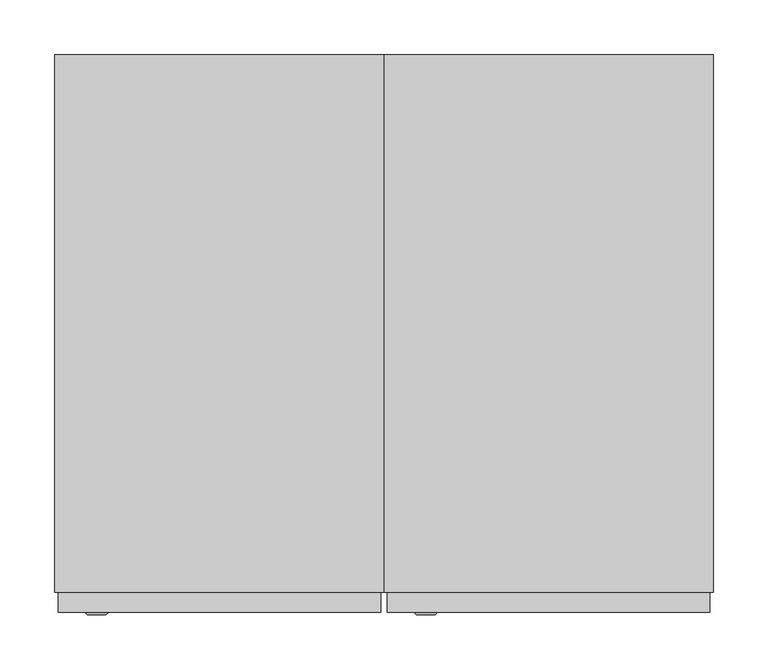
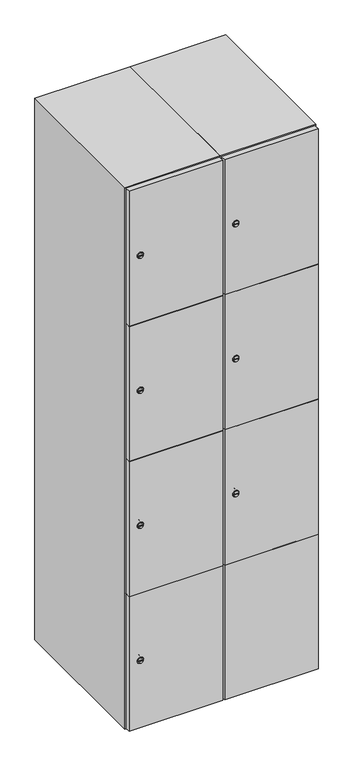
"""IFC4 building model written with IfcOpenShell, lengths in millimetres: furniture geometry."""

from ifc_helpers import new_model, si_unit, point, frame, frame_2d, origin, place, context, project, spatial, polyline, circle_curve, trimmed, segment, composite_curve, outline, extrude, faceted_brep, source, transform, mapped, element, save
from ifc_brep_helpers import plane_surface, revolved_surface, advanced_brep


def furniture_ce73e706(model_context):
    return source(origin(), model_context, "Body", "SolidModel", [
        extrude(outline(composite_curve([segment(trimmed(circle_curve(frame_2d((710.75, 111.2010534)), 7.0), [point((717.75, 111.2010534))], [point((703.75, 111.2010534))], False, "CARTESIAN"), True, "CONTINUOUS"), segment(polyline([(703.75, 111.2010534), (703.75, 139.2010534)]), True, "CONTINUOUS"), segment(trimmed(circle_curve(frame_2d((710.75, 139.2010534)), 7.0), [point((703.75, 139.2010534))], [point((717.75, 139.2010534))], False, "CARTESIAN"), True, "CONTINUOUS"), segment(polyline([(717.75, 139.2010534), (717.75, 111.2010534)]), True, "CONTINUOUS")], self_intersect=False)), frame((0.0, -245.0, 0.0), z_axis=(0.0, 1.0, 0.0), x_axis=(0.0, 0.0, 1.0)), (0.0, 0.0, 1.0), 2.0),
        advanced_brep(
        [(146.5, -265.2, 710.75), (129.5, -265.2, 710.75), (133.0, -265.2, 709.5), (133.0, -265.2, 712.0), (143.0, -265.2, 712.0), (143.0, -265.2, 709.5), (148.5, -263.0, 710.75), (127.5, -263.0, 710.75), (133.0, -263.0, 712.0), (133.0, -263.0, 709.5), (143.0, -263.0, 709.5), (143.0, -263.0, 712.0)],
        [
            (0, 1, circle_curve(frame((138.0, -265.2, 710.75), z_axis=(0.0, -1.0, 0.0), x_axis=(1.0, 0.0, 0.0)), 8.5)),
            (1, 0, circle_curve(frame((138.0, -265.2, 710.75), z_axis=(0.0, -1.0, 0.0), x_axis=(-1.0, 0.0, 0.0)), 8.5)),
            (2, 3),
            (3, 4),
            (4, 5),
            (5, 2),
            (6, 7, circle_curve(frame((138.0, -263.0, 710.75), z_axis=(0.0, 1.0, 0.0), x_axis=(-1.0, 0.0, 0.0)), 10.5)),
            (7, 6, circle_curve(frame((138.0, -263.0, 710.75), z_axis=(0.0, 1.0, 0.0), x_axis=(1.0, 0.0, 0.0)), 10.5)),
            (8, 9),
            (9, 10),
            (10, 11),
            (11, 8),
            (0, 6),
            (7, 1),
            (8, 3),
            (2, 9),
            (11, 4),
            (10, 5),
        ],
        [
            plane_surface(frame((138.0, -265.2, 710.75), z_axis=(0.0, -1.0, 0.0), x_axis=(0.0, 0.0, 1.0))),
            plane_surface(frame((138.0, -263.0, 710.75), z_axis=(0.0, 1.0, 0.0), x_axis=(0.0, 0.0, 1.0))),
            revolved_surface(polyline([(146.5, -265.2, 710.75), (148.5, -263.0, 710.75)]), (138.0, -274.55, 710.75), (0.0, 1.0, 0.0)),
            revolved_surface(polyline([(129.5, -265.2, 710.75), (127.5, -263.0, 710.75)]), (138.0, -274.55, 710.75), (0.0, 1.0, 0.0)),
            plane_surface(frame((133.0, -263.0, 709.5), z_axis=(1.0, 0.0, 0.0), x_axis=(0.0, -1.0, 0.0))),
            plane_surface(frame((133.0, -263.0, 712.0), z_axis=(0.0, 0.0, -1.0), x_axis=(0.0, -1.0, 0.0))),
            plane_surface(frame((143.0, -263.0, 712.0), z_axis=(-1.0, 0.0, 0.0), x_axis=(0.0, -1.0, 0.0))),
            plane_surface(frame((143.0, -263.0, 709.5), z_axis=(0.0, 0.0, 1.0), x_axis=(0.0, -1.0, 0.0))),
        ],
        [
            (0, [[1, 2], [3, 4, 5, 6]]),
            (1, [[7, 8], [9, 10, 11, 12]]),
            (2, [[-1, 13, -8, 14]]),
            (3, [[-2, -14, -7, -13]]),
            (4, [[15, -3, 16, -9]]),
            (5, [[-15, -12, 17, -4]]),
            (6, [[-17, -11, 18, -5]]),
            (7, [[-16, -6, -18, -10]]),
        ],
    ),
        extrude(outline(composite_curve([segment(trimmed(circle_curve(frame_2d((1159.25, 111.2010534)), 7.0), [point((1166.25, 111.2010534))], [point((1152.25, 111.2010534))], False, "CARTESIAN"), True, "CONTINUOUS"), segment(polyline([(1152.25, 111.2010534), (1152.25, 139.2010534)]), True, "CONTINUOUS"), segment(trimmed(circle_curve(frame_2d((1159.25, 139.2010534)), 7.0), [point((1152.25, 139.2010534))], [point((1166.25, 139.2010534))], False, "CARTESIAN"), True, "CONTINUOUS"), segment(polyline([(1166.25, 139.2010534), (1166.25, 111.2010534)]), True, "CONTINUOUS")], self_intersect=False)), frame((0.0, -245.0, 0.0), z_axis=(0.0, 1.0, 0.0), x_axis=(0.0, 0.0, 1.0)), (0.0, 0.0, 1.0), 2.0),
        advanced_brep(
        [(146.5, -265.2, 1159.25), (129.5, -265.2, 1159.25), (133.0, -265.2, 1158.0), (133.0, -265.2, 1160.5), (143.0, -265.2, 1160.5), (143.0, -265.2, 1158.0), (148.5, -263.0, 1159.25), (127.5, -263.0, 1159.25), (133.0, -263.0, 1160.5), (133.0, -263.0, 1158.0), (143.0, -263.0, 1158.0), (143.0, -263.0, 1160.5)],
        [
            (0, 1, circle_curve(frame((138.0, -265.2, 1159.25), z_axis=(0.0, -1.0, 0.0), x_axis=(1.0, 0.0, 0.0)), 8.5)),
            (1, 0, circle_curve(frame((138.0, -265.2, 1159.25), z_axis=(0.0, -1.0, 0.0), x_axis=(-1.0, 0.0, 0.0)), 8.5)),
            (2, 3),
            (3, 4),
            (4, 5),
            (5, 2),
            (6, 7, circle_curve(frame((138.0, -263.0, 1159.25), z_axis=(0.0, 1.0, 0.0), x_axis=(-1.0, 0.0, 0.0)), 10.5)),
            (7, 6, circle_curve(frame((138.0, -263.0, 1159.25), z_axis=(0.0, 1.0, 0.0), x_axis=(1.0, 0.0, 0.0)), 10.5)),
            (8, 9),
            (9, 10),
            (10, 11),
            (11, 8),
            (0, 6),
            (7, 1),
            (8, 3),
            (2, 9),
            (11, 4),
            (10, 5),
        ],
        [
            plane_surface(frame((138.0, -265.2, 1159.25), z_axis=(0.0, -1.0, 0.0), x_axis=(0.0, 0.0, 1.0))),
            plane_surface(frame((138.0, -263.0, 1159.25), z_axis=(0.0, 1.0, 0.0), x_axis=(0.0, 0.0, 1.0))),
            revolved_surface(polyline([(146.5, -265.2, 1159.25), (148.5, -263.0, 1159.25)]), (138.0, -274.55, 1159.25), (0.0, 1.0, 0.0)),
            revolved_surface(polyline([(129.5, -265.2, 1159.25), (127.5, -263.0, 1159.25)]), (138.0, -274.55, 1159.25), (0.0, 1.0, 0.0)),
            plane_surface(frame((133.0, -263.0, 1158.0), z_axis=(1.0, 0.0, 0.0), x_axis=(0.0, -1.0, 0.0))),
            plane_surface(frame((133.0, -263.0, 1160.5), z_axis=(0.0, 0.0, -1.0), x_axis=(0.0, -1.0, 0.0))),
            plane_surface(frame((143.0, -263.0, 1160.5), z_axis=(-1.0, 0.0, 0.0), x_axis=(0.0, -1.0, 0.0))),
            plane_surface(frame((143.0, -263.0, 1158.0), z_axis=(0.0, 0.0, 1.0), x_axis=(0.0, -1.0, 0.0))),
        ],
        [
            (0, [[1, 2], [3, 4, 5, 6]]),
            (1, [[7, 8], [9, 10, 11, 12]]),
            (2, [[-1, 13, -8, 14]]),
            (3, [[-2, -14, -7, -13]]),
            (4, [[15, -3, 16, -9]]),
            (5, [[-15, -12, 17, -4]]),
            (6, [[-17, -11, 18, -5]]),
            (7, [[-16, -6, -18, -10]]),
        ],
    ),
        extrude(outline(composite_curve([segment(trimmed(circle_curve(frame_2d((1607.75, 111.2010534)), 7.0), [point((1614.75, 111.2010534))], [point((1600.75, 111.2010534))], False, "CARTESIAN"), True, "CONTINUOUS"), segment(polyline([(1600.75, 111.2010534), (1600.75, 139.2010534)]), True, "CONTINUOUS"), segment(trimmed(circle_curve(frame_2d((1607.75, 139.2010534)), 7.0), [point((1600.75, 139.2010534))], [point((1614.75, 139.2010534))], False, "CARTESIAN"), True, "CONTINUOUS"), segment(polyline([(1614.75, 139.2010534), (1614.75, 111.2010534)]), True, "CONTINUOUS")], self_intersect=False)), frame((0.0, -245.0, 0.0), z_axis=(0.0, 1.0, 0.0), x_axis=(0.0, 0.0, 1.0)), (0.0, 0.0, 1.0), 2.0),
        advanced_brep(
        [(146.5, -265.2, 1607.75), (129.5, -265.2, 1607.75), (133.0, -265.2, 1606.5), (133.0, -265.2, 1609.0), (143.0, -265.2, 1609.0), (143.0, -265.2, 1606.5), (148.5, -263.0, 1607.75), (127.5, -263.0, 1607.75), (133.0, -263.0, 1609.0), (133.0, -263.0, 1606.5), (143.0, -263.0, 1606.5), (143.0, -263.0, 1609.0)],
        [
            (0, 1, circle_curve(frame((138.0, -265.2, 1607.75), z_axis=(0.0, -1.0, 0.0), x_axis=(1.0, 0.0, 0.0)), 8.5)),
            (1, 0, circle_curve(frame((138.0, -265.2, 1607.75), z_axis=(0.0, -1.0, 0.0), x_axis=(-1.0, 0.0, 0.0)), 8.5)),
            (2, 3),
            (3, 4),
            (4, 5),
            (5, 2),
            (6, 7, circle_curve(frame((138.0, -263.0, 1607.75), z_axis=(0.0, 1.0, 0.0), x_axis=(-1.0, 0.0, 0.0)), 10.5)),
            (7, 6, circle_curve(frame((138.0, -263.0, 1607.75), z_axis=(0.0, 1.0, 0.0), x_axis=(1.0, 0.0, 0.0)), 10.5)),
            (8, 9),
            (9, 10),
            (10, 11),
            (11, 8),
            (0, 6),
            (7, 1),
            (8, 3),
            (2, 9),
            (11, 4),
            (10, 5),
        ],
        [
            plane_surface(frame((138.0, -265.2, 1607.75), z_axis=(0.0, -1.0, 0.0), x_axis=(0.0, 0.0, 1.0))),
            plane_surface(frame((138.0, -263.0, 1607.75), z_axis=(0.0, 1.0, 0.0), x_axis=(0.0, 0.0, 1.0))),
            revolved_surface(polyline([(146.5, -265.2, 1607.75), (148.5, -263.0, 1607.75)]), (138.0, -274.55, 1607.75), (0.0, 1.0, 0.0)),
            revolved_surface(polyline([(129.5, -265.2, 1607.75), (127.5, -263.0, 1607.75)]), (138.0, -274.55, 1607.75), (0.0, 1.0, 0.0)),
            plane_surface(frame((133.0, -263.0, 1606.5), z_axis=(1.0, 0.0, 0.0), x_axis=(0.0, -1.0, 0.0))),
            plane_surface(frame((133.0, -263.0, 1609.0), z_axis=(0.0, 0.0, -1.0), x_axis=(0.0, -1.0, 0.0))),
            plane_surface(frame((143.0, -263.0, 1609.0), z_axis=(-1.0, 0.0, 0.0), x_axis=(0.0, -1.0, 0.0))),
            plane_surface(frame((143.0, -263.0, 1606.5), z_axis=(0.0, 0.0, 1.0), x_axis=(0.0, -1.0, 0.0))),
        ],
        [
            (0, [[1, 2], [3, 4, 5, 6]]),
            (1, [[7, 8], [9, 10, 11, 12]]),
            (2, [[-1, 13, -8, 14]]),
            (3, [[-2, -14, -7, -13]]),
            (4, [[15, -3, 16, -9]]),
            (5, [[-15, -12, 17, -4]]),
            (6, [[-17, -11, 18, -5]]),
            (7, [[-16, -6, -18, -10]]),
        ],
    ),
        extrude(outline(polyline([(397.0, -245.0), (397.0, -263.0), (103.0, -263.0), (103.0, -245.0), (397.0, -245.0)])), frame((0.0, 0.0, 486.0), z_axis=(0.0, 0.0, 1.0), x_axis=(1.0, 0.0, 0.0)), (0.0, 0.0, 1.0), 448.5),
        extrude(outline(polyline([(397.0, -245.0), (397.0, -263.0), (103.0, -263.0), (103.0, -245.0), (397.0, -245.0)])), frame((0.0, 0.0, 935.5), z_axis=(0.0, 0.0, 1.0), x_axis=(1.0, 0.0, 0.0)), (0.0, 0.0, 1.0), 447.5),
        extrude(outline(polyline([(103.0, -263.0), (103.0, -245.0), (397.0, -245.0), (397.0, -263.0), (103.0, -263.0)])), frame((0.0, 0.0, 1384.0), z_axis=(0.0, 0.0, 1.0), x_axis=(1.0, 0.0, 0.0)), (0.0, 0.0, 1.0), 448.0),
        extrude(outline(polyline([(397.0, -245.0), (397.0, -263.0), (103.0, -263.0), (103.0, -245.0), (397.0, -245.0)])), frame((0.0, 0.0, 38.0), z_axis=(0.0, 0.0, 1.0), x_axis=(1.0, 0.0, 0.0)), (0.0, 0.0, 1.0), 449.0),
        extrude(outline(polyline([(379.6, 242.0), (379.6, -227.0), (120.4, -227.0), (120.4, 242.0), (379.6, 242.0)])), frame((0.0, 0.0, 1359.7), z_axis=(0.0, 0.0, 1.0), x_axis=(1.0, 0.0, 0.0)), (0.0, 0.0, 1.0), 20.4),
        extrude(outline(polyline([(379.6, 242.0), (379.6, -227.0), (120.4, -227.0), (120.4, 242.0), (379.6, 242.0)])), frame((0.0, 0.0, 924.8), z_axis=(0.0, 0.0, 1.0), x_axis=(1.0, 0.0, 0.0)), (0.0, 0.0, 1.0), 20.4),
        extrude(outline(polyline([(379.6, 242.0), (379.6, -227.0), (120.4, -227.0), (120.4, 242.0), (379.6, 242.0)])), frame((0.0, 0.0, 489.9), z_axis=(0.0, 0.0, 1.0), x_axis=(1.0, 0.0, 0.0)), (0.0, 0.0, 1.0), 20.4),
        faceted_brep([(400.0, -245.0, 35.0), (400.0, -245.0, 1835.0), (100.0, -245.0, 1835.0), (100.0, -245.0, 35.0), (379.6, -245.0, 1804.8), (379.6, -245.0, 65.2), (120.4, -245.0, 65.2), (120.4, -245.0, 1804.8), (400.0, 245.0, 35.0), (100.0, 245.0, 35.0), (400.0, 245.0, 1835.0), (100.0, 245.0, 1835.0), (379.6, 242.0, 1804.8), (379.6, 242.0, 65.2), (100.0, 245.0, 1804.8), (120.4, 242.0, 1804.8), (120.4, 242.0, 65.2)], [[[0, 1, 2, 3], [4, 5, 6, 7]], [[8, 0, 3, 9]], [[1, 0, 8, 10]], [[1, 10, 11, 2]], [[4, 12, 13, 5]], [[9, 3, 2, 11, 14]], [[10, 8, 9, 14, 11]], [[12, 15, 16, 13]], [[15, 7, 6, 16]], [[4, 7, 15, 12]], [[6, 5, 13, 16]]]),
        extrude(outline(composite_curve([segment(trimmed(circle_curve(frame_2d((262.25, -188.7989466)), 7.0), [point((269.25, -188.7989466))], [point((255.25, -188.7989466))], False, "CARTESIAN"), True, "CONTINUOUS"), segment(polyline([(255.25, -188.7989466), (255.25, -160.7989466)]), True, "CONTINUOUS"), segment(trimmed(circle_curve(frame_2d((262.25, -160.7989466)), 7.0), [point((255.25, -160.7989466))], [point((269.25, -160.7989466))], False, "CARTESIAN"), True, "CONTINUOUS"), segment(polyline([(269.25, -160.7989466), (269.25, -188.7989466)]), True, "CONTINUOUS")], self_intersect=False)), frame((0.0, -245.0, 0.0), z_axis=(0.0, 1.0, 0.0), x_axis=(0.0, 0.0, 1.0)), (0.0, 0.0, 1.0), 2.0),
        advanced_brep(
        [(-153.5, -265.2, 262.25), (-170.5, -265.2, 262.25), (-167.0, -265.2, 261.0), (-167.0, -265.2, 263.5), (-157.0, -265.2, 263.5), (-157.0, -265.2, 261.0), (-151.5, -263.0, 262.25), (-172.5, -263.0, 262.25), (-167.0, -263.0, 263.5), (-167.0, -263.0, 261.0), (-157.0, -263.0, 261.0), (-157.0, -263.0, 263.5)],
        [
            (0, 1, circle_curve(frame((-162.0, -265.2, 262.25), z_axis=(0.0, -1.0, 0.0), x_axis=(1.0, 0.0, 0.0)), 8.5)),
            (1, 0, circle_curve(frame((-162.0, -265.2, 262.25), z_axis=(0.0, -1.0, 0.0), x_axis=(-1.0, 0.0, 0.0)), 8.5)),
            (2, 3),
            (3, 4),
            (4, 5),
            (5, 2),
            (6, 7, circle_curve(frame((-162.0, -263.0, 262.25), z_axis=(0.0, 1.0, 0.0), x_axis=(-1.0, 0.0, 0.0)), 10.5)),
            (7, 6, circle_curve(frame((-162.0, -263.0, 262.25), z_axis=(0.0, 1.0, 0.0), x_axis=(1.0, 0.0, 0.0)), 10.5)),
            (8, 9),
            (9, 10),
            (10, 11),
            (11, 8),
            (0, 6),
            (7, 1),
            (8, 3),
            (2, 9),
            (11, 4),
            (10, 5),
        ],
        [
            plane_surface(frame((-162.0, -265.2, 262.25), z_axis=(0.0, -1.0, 0.0), x_axis=(0.0, 0.0, 1.0))),
            plane_surface(frame((-162.0, -263.0, 262.25), z_axis=(0.0, 1.0, 0.0), x_axis=(0.0, 0.0, 1.0))),
            revolved_surface(polyline([(-153.5, -265.2, 262.25), (-151.5, -263.0, 262.25)]), (-162.0, -274.55, 262.25), (0.0, 1.0, 0.0)),
            revolved_surface(polyline([(-170.5, -265.2, 262.25), (-172.5, -263.0, 262.25)]), (-162.0, -274.55, 262.25), (0.0, 1.0, 0.0)),
            plane_surface(frame((-167.0, -263.0, 261.0), z_axis=(1.0, 0.0, 0.0), x_axis=(0.0, -1.0, 0.0))),
            plane_surface(frame((-167.0, -263.0, 263.5), z_axis=(0.0, 0.0, -1.0), x_axis=(0.0, -1.0, 0.0))),
            plane_surface(frame((-157.0, -263.0, 263.5), z_axis=(-1.0, 0.0, 0.0), x_axis=(0.0, -1.0, 0.0))),
            plane_surface(frame((-157.0, -263.0, 261.0), z_axis=(0.0, 0.0, 1.0), x_axis=(0.0, -1.0, 0.0))),
        ],
        [
            (0, [[1, 2], [3, 4, 5, 6]]),
            (1, [[7, 8], [9, 10, 11, 12]]),
            (2, [[-1, 13, -8, 14]]),
            (3, [[-2, -14, -7, -13]]),
            (4, [[15, -3, 16, -9]]),
            (5, [[-15, -12, 17, -4]]),
            (6, [[-17, -11, 18, -5]]),
            (7, [[-16, -6, -18, -10]]),
        ],
    ),
        extrude(outline(composite_curve([segment(trimmed(circle_curve(frame_2d((710.75, -188.7989466)), 7.0), [point((717.75, -188.7989466))], [point((703.75, -188.7989466))], False, "CARTESIAN"), True, "CONTINUOUS"), segment(polyline([(703.75, -188.7989466), (703.75, -160.7989466)]), True, "CONTINUOUS"), segment(trimmed(circle_curve(frame_2d((710.75, -160.7989466)), 7.0), [point((703.75, -160.7989466))], [point((717.75, -160.7989466))], False, "CARTESIAN"), True, "CONTINUOUS"), segment(polyline([(717.75, -160.7989466), (717.75, -188.7989466)]), True, "CONTINUOUS")], self_intersect=False)), frame((0.0, -245.0, 0.0), z_axis=(0.0, 1.0, 0.0), x_axis=(0.0, 0.0, 1.0)), (0.0, 0.0, 1.0), 2.0),
        advanced_brep(
        [(-153.5, -265.2, 710.75), (-170.5, -265.2, 710.75), (-167.0, -265.2, 709.5), (-167.0, -265.2, 712.0), (-157.0, -265.2, 712.0), (-157.0, -265.2, 709.5), (-151.5, -263.0, 710.75), (-172.5, -263.0, 710.75), (-167.0, -263.0, 712.0), (-167.0, -263.0, 709.5), (-157.0, -263.0, 709.5), (-157.0, -263.0, 712.0)],
        [
            (0, 1, circle_curve(frame((-162.0, -265.2, 710.75), z_axis=(0.0, -1.0, 0.0), x_axis=(1.0, 0.0, 0.0)), 8.5)),
            (1, 0, circle_curve(frame((-162.0, -265.2, 710.75), z_axis=(0.0, -1.0, 0.0), x_axis=(-1.0, 0.0, 0.0)), 8.5)),
            (2, 3),
            (3, 4),
            (4, 5),
            (5, 2),
            (6, 7, circle_curve(frame((-162.0, -263.0, 710.75), z_axis=(0.0, 1.0, 0.0), x_axis=(-1.0, 0.0, 0.0)), 10.5)),
            (7, 6, circle_curve(frame((-162.0, -263.0, 710.75), z_axis=(0.0, 1.0, 0.0), x_axis=(1.0, 0.0, 0.0)), 10.5)),
            (8, 9),
            (9, 10),
            (10, 11),
            (11, 8),
            (0, 6),
            (7, 1),
            (8, 3),
            (2, 9),
            (11, 4),
            (10, 5),
        ],
        [
            plane_surface(frame((-162.0, -265.2, 710.75), z_axis=(0.0, -1.0, 0.0), x_axis=(0.0, 0.0, 1.0))),
            plane_surface(frame((-162.0, -263.0, 710.75), z_axis=(0.0, 1.0, 0.0), x_axis=(0.0, 0.0, 1.0))),
            revolved_surface(polyline([(-153.5, -265.2, 710.75), (-151.5, -263.0, 710.75)]), (-162.0, -274.55, 710.75), (0.0, 1.0, 0.0)),
            revolved_surface(polyline([(-170.5, -265.2, 710.75), (-172.5, -263.0, 710.75)]), (-162.0, -274.55, 710.75), (0.0, 1.0, 0.0)),
            plane_surface(frame((-167.0, -263.0, 709.5), z_axis=(1.0, 0.0, 0.0), x_axis=(0.0, -1.0, 0.0))),
            plane_surface(frame((-167.0, -263.0, 712.0), z_axis=(0.0, 0.0, -1.0), x_axis=(0.0, -1.0, 0.0))),
            plane_surface(frame((-157.0, -263.0, 712.0), z_axis=(-1.0, 0.0, 0.0), x_axis=(0.0, -1.0, 0.0))),
            plane_surface(frame((-157.0, -263.0, 709.5), z_axis=(0.0, 0.0, 1.0), x_axis=(0.0, -1.0, 0.0))),
        ],
        [
            (0, [[1, 2], [3, 4, 5, 6]]),
            (1, [[7, 8], [9, 10, 11, 12]]),
            (2, [[-1, 13, -8, 14]]),
            (3, [[-2, -14, -7, -13]]),
            (4, [[15, -3, 16, -9]]),
            (5, [[-15, -12, 17, -4]]),
            (6, [[-17, -11, 18, -5]]),
            (7, [[-16, -6, -18, -10]]),
        ],
    ),
        extrude(outline(composite_curve([segment(trimmed(circle_curve(frame_2d((1159.25, -188.7989466)), 7.0), [point((1166.25, -188.7989466))], [point((1152.25, -188.7989466))], False, "CARTESIAN"), True, "CONTINUOUS"), segment(polyline([(1152.25, -188.7989466), (1152.25, -160.7989466)]), True, "CONTINUOUS"), segment(trimmed(circle_curve(frame_2d((1159.25, -160.7989466)), 7.0), [point((1152.25, -160.7989466))], [point((1166.25, -160.7989466))], False, "CARTESIAN"), True, "CONTINUOUS"), segment(polyline([(1166.25, -160.7989466), (1166.25, -188.7989466)]), True, "CONTINUOUS")], self_intersect=False)), frame((0.0, -245.0, 0.0), z_axis=(0.0, 1.0, 0.0), x_axis=(0.0, 0.0, 1.0)), (0.0, 0.0, 1.0), 2.0),
        advanced_brep(
        [(-153.5, -265.2, 1159.25), (-170.5, -265.2, 1159.25), (-167.0, -265.2, 1158.0), (-167.0, -265.2, 1160.5), (-157.0, -265.2, 1160.5), (-157.0, -265.2, 1158.0), (-151.5, -263.0, 1159.25), (-172.5, -263.0, 1159.25), (-167.0, -263.0, 1160.5), (-167.0, -263.0, 1158.0), (-157.0, -263.0, 1158.0), (-157.0, -263.0, 1160.5)],
        [
            (0, 1, circle_curve(frame((-162.0, -265.2, 1159.25), z_axis=(0.0, -1.0, 0.0), x_axis=(1.0, 0.0, 0.0)), 8.5)),
            (1, 0, circle_curve(frame((-162.0, -265.2, 1159.25), z_axis=(0.0, -1.0, 0.0), x_axis=(-1.0, 0.0, 0.0)), 8.5)),
            (2, 3),
            (3, 4),
            (4, 5),
            (5, 2),
            (6, 7, circle_curve(frame((-162.0, -263.0, 1159.25), z_axis=(0.0, 1.0, 0.0), x_axis=(-1.0, 0.0, 0.0)), 10.5)),
            (7, 6, circle_curve(frame((-162.0, -263.0, 1159.25), z_axis=(0.0, 1.0, 0.0), x_axis=(1.0, 0.0, 0.0)), 10.5)),
            (8, 9),
            (9, 10),
            (10, 11),
            (11, 8),
            (0, 6),
            (7, 1),
            (8, 3),
            (2, 9),
            (11, 4),
            (10, 5),
        ],
        [
            plane_surface(frame((-162.0, -265.2, 1159.25), z_axis=(0.0, -1.0, 0.0), x_axis=(0.0, 0.0, 1.0))),
            plane_surface(frame((-162.0, -263.0, 1159.25), z_axis=(0.0, 1.0, 0.0), x_axis=(0.0, 0.0, 1.0))),
            revolved_surface(polyline([(-153.5, -265.2, 1159.25), (-151.5, -263.0, 1159.25)]), (-162.0, -274.55, 1159.25), (0.0, 1.0, 0.0)),
            revolved_surface(polyline([(-170.5, -265.2, 1159.25), (-172.5, -263.0, 1159.25)]), (-162.0, -274.55, 1159.25), (0.0, 1.0, 0.0)),
            plane_surface(frame((-167.0, -263.0, 1158.0), z_axis=(1.0, 0.0, 0.0), x_axis=(0.0, -1.0, 0.0))),
            plane_surface(frame((-167.0, -263.0, 1160.5), z_axis=(0.0, 0.0, -1.0), x_axis=(0.0, -1.0, 0.0))),
            plane_surface(frame((-157.0, -263.0, 1160.5), z_axis=(-1.0, 0.0, 0.0), x_axis=(0.0, -1.0, 0.0))),
            plane_surface(frame((-157.0, -263.0, 1158.0), z_axis=(0.0, 0.0, 1.0), x_axis=(0.0, -1.0, 0.0))),
        ],
        [
            (0, [[1, 2], [3, 4, 5, 6]]),
            (1, [[7, 8], [9, 10, 11, 12]]),
            (2, [[-1, 13, -8, 14]]),
            (3, [[-2, -14, -7, -13]]),
            (4, [[15, -3, 16, -9]]),
            (5, [[-15, -12, 17, -4]]),
            (6, [[-17, -11, 18, -5]]),
            (7, [[-16, -6, -18, -10]]),
        ],
    ),
        extrude(outline(composite_curve([segment(trimmed(circle_curve(frame_2d((1607.75, -188.7989466)), 7.0), [point((1614.75, -188.7989466))], [point((1600.75, -188.7989466))], False, "CARTESIAN"), True, "CONTINUOUS"), segment(polyline([(1600.75, -188.7989466), (1600.75, -160.7989466)]), True, "CONTINUOUS"), segment(trimmed(circle_curve(frame_2d((1607.75, -160.7989466)), 7.0), [point((1600.75, -160.7989466))], [point((1614.75, -160.7989466))], False, "CARTESIAN"), True, "CONTINUOUS"), segment(polyline([(1614.75, -160.7989466), (1614.75, -188.7989466)]), True, "CONTINUOUS")], self_intersect=False)), frame((0.0, -245.0, 0.0), z_axis=(0.0, 1.0, 0.0), x_axis=(0.0, 0.0, 1.0)), (0.0, 0.0, 1.0), 2.0),
        advanced_brep(
        [(-153.5, -265.2, 1607.75), (-170.5, -265.2, 1607.75), (-167.0, -265.2, 1606.5), (-167.0, -265.2, 1609.0), (-157.0, -265.2, 1609.0), (-157.0, -265.2, 1606.5), (-151.5, -263.0, 1607.75), (-172.5, -263.0, 1607.75), (-167.0, -263.0, 1609.0), (-167.0, -263.0, 1606.5), (-157.0, -263.0, 1606.5), (-157.0, -263.0, 1609.0)],
        [
            (0, 1, circle_curve(frame((-162.0, -265.2, 1607.75), z_axis=(0.0, -1.0, 0.0), x_axis=(1.0, 0.0, 0.0)), 8.5)),
            (1, 0, circle_curve(frame((-162.0, -265.2, 1607.75), z_axis=(0.0, -1.0, 0.0), x_axis=(-1.0, 0.0, 0.0)), 8.5)),
            (2, 3),
            (3, 4),
            (4, 5),
            (5, 2),
            (6, 7, circle_curve(frame((-162.0, -263.0, 1607.75), z_axis=(0.0, 1.0, 0.0), x_axis=(-1.0, 0.0, 0.0)), 10.5)),
            (7, 6, circle_curve(frame((-162.0, -263.0, 1607.75), z_axis=(0.0, 1.0, 0.0), x_axis=(1.0, 0.0, 0.0)), 10.5)),
            (8, 9),
            (9, 10),
            (10, 11),
            (11, 8),
            (0, 6),
            (7, 1),
            (8, 3),
            (2, 9),
            (11, 4),
            (10, 5),
        ],
        [
            plane_surface(frame((-162.0, -265.2, 1607.75), z_axis=(0.0, -1.0, 0.0), x_axis=(0.0, 0.0, 1.0))),
            plane_surface(frame((-162.0, -263.0, 1607.75), z_axis=(0.0, 1.0, 0.0), x_axis=(0.0, 0.0, 1.0))),
            revolved_surface(polyline([(-153.5, -265.2, 1607.75), (-151.5, -263.0, 1607.75)]), (-162.0, -274.55, 1607.75), (0.0, 1.0, 0.0)),
            revolved_surface(polyline([(-170.5, -265.2, 1607.75), (-172.5, -263.0, 1607.75)]), (-162.0, -274.55, 1607.75), (0.0, 1.0, 0.0)),
            plane_surface(frame((-167.0, -263.0, 1606.5), z_axis=(1.0, 0.0, 0.0), x_axis=(0.0, -1.0, 0.0))),
            plane_surface(frame((-167.0, -263.0, 1609.0), z_axis=(0.0, 0.0, -1.0), x_axis=(0.0, -1.0, 0.0))),
            plane_surface(frame((-157.0, -263.0, 1609.0), z_axis=(-1.0, 0.0, 0.0), x_axis=(0.0, -1.0, 0.0))),
            plane_surface(frame((-157.0, -263.0, 1606.5), z_axis=(0.0, 0.0, 1.0), x_axis=(0.0, -1.0, 0.0))),
        ],
        [
            (0, [[1, 2], [3, 4, 5, 6]]),
            (1, [[7, 8], [9, 10, 11, 12]]),
            (2, [[-1, 13, -8, 14]]),
            (3, [[-2, -14, -7, -13]]),
            (4, [[15, -3, 16, -9]]),
            (5, [[-15, -12, 17, -4]]),
            (6, [[-17, -11, 18, -5]]),
            (7, [[-16, -6, -18, -10]]),
        ],
    ),
        extrude(outline(polyline([(97.0, -245.0), (97.0, -263.0), (-197.0, -263.0), (-197.0, -245.0), (97.0, -245.0)])), frame((0.0, 0.0, 486.0), z_axis=(0.0, 0.0, 1.0), x_axis=(1.0, 0.0, 0.0)), (0.0, 0.0, 1.0), 448.5),
        extrude(outline(polyline([(97.0, -245.0), (97.0, -263.0), (-197.0, -263.0), (-197.0, -245.0), (97.0, -245.0)])), frame((0.0, 0.0, 935.5), z_axis=(0.0, 0.0, 1.0), x_axis=(1.0, 0.0, 0.0)), (0.0, 0.0, 1.0), 447.5),
        extrude(outline(polyline([(-197.0, -263.0), (-197.0, -245.0), (97.0, -245.0), (97.0, -263.0), (-197.0, -263.0)])), frame((0.0, 0.0, 1384.0), z_axis=(0.0, 0.0, 1.0), x_axis=(1.0, 0.0, 0.0)), (0.0, 0.0, 1.0), 448.0),
        extrude(outline(polyline([(97.0, -245.0), (97.0, -263.0), (-197.0, -263.0), (-197.0, -245.0), (97.0, -245.0)])), frame((0.0, 0.0, 38.0), z_axis=(0.0, 0.0, 1.0), x_axis=(1.0, 0.0, 0.0)), (0.0, 0.0, 1.0), 449.0),
        extrude(outline(polyline([(79.6, 242.0), (79.6, -227.0), (-179.6, -227.0), (-179.6, 242.0), (79.6, 242.0)])), frame((0.0, 0.0, 1359.7), z_axis=(0.0, 0.0, 1.0), x_axis=(1.0, 0.0, 0.0)), (0.0, 0.0, 1.0), 20.4),
        extrude(outline(polyline([(79.6, 242.0), (79.6, -227.0), (-179.6, -227.0), (-179.6, 242.0), (79.6, 242.0)])), frame((0.0, 0.0, 924.8), z_axis=(0.0, 0.0, 1.0), x_axis=(1.0, 0.0, 0.0)), (0.0, 0.0, 1.0), 20.4),
        extrude(outline(polyline([(79.6, 242.0), (79.6, -227.0), (-179.6, -227.0), (-179.6, 242.0), (79.6, 242.0)])), frame((0.0, 0.0, 489.9), z_axis=(0.0, 0.0, 1.0), x_axis=(1.0, 0.0, 0.0)), (0.0, 0.0, 1.0), 20.4),
        faceted_brep([(100.0, -245.0, 35.0), (100.0, -245.0, 1835.0), (-200.0, -245.0, 1835.0), (-200.0, -245.0, 35.0), (79.6, -245.0, 1804.8), (79.6, -245.0, 65.2), (-179.6, -245.0, 65.2), (-179.6, -245.0, 1804.8), (100.0, 245.0, 35.0), (-200.0, 245.0, 35.0), (100.0, 245.0, 1835.0), (-200.0, 245.0, 1835.0), (79.6, 242.0, 1804.8), (79.6, 242.0, 65.2), (-200.0, 245.0, 1804.8), (-179.6, 242.0, 1804.8), (-179.6, 242.0, 65.2)], [[[0, 1, 2, 3], [4, 5, 6, 7]], [[8, 0, 3, 9]], [[1, 0, 8, 10]], [[1, 10, 11, 2]], [[4, 12, 13, 5]], [[9, 3, 2, 11, 14]], [[10, 8, 9, 14, 11]], [[12, 15, 16, 13]], [[15, 7, 6, 16]], [[4, 7, 15, 12]], [[6, 5, 13, 16]]]),
    ])


if __name__ == "__main__":
    model = new_model("IFC4")
    model_context = context("Model", 3, world=origin())
    ifc_project = project(units=[si_unit("LENGTHUNIT", "METRE", prefix="MILLI")], contexts=[model_context])
    site = spatial("IfcSite", under=ifc_project)
    building = spatial("IfcBuilding", under=site)
    placement = place(None, origin())
    furniture_shape = furniture_ce73e706(model_context)
    element("IfcFurniture", 1, at=placement, inside=building, context=model_context, shape_type="MappedRepresentation", body=[
        mapped(furniture_shape, transform((0.0, 0.0, 0.0), x_axis=(1.0, 0.0, 0.0), y_axis=(0.0, 1.0, 0.0), z_axis=(0.0, 0.0, 1.0))),
    ])
    save(model, "model.ifc")
